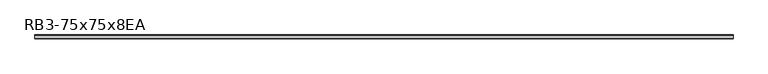
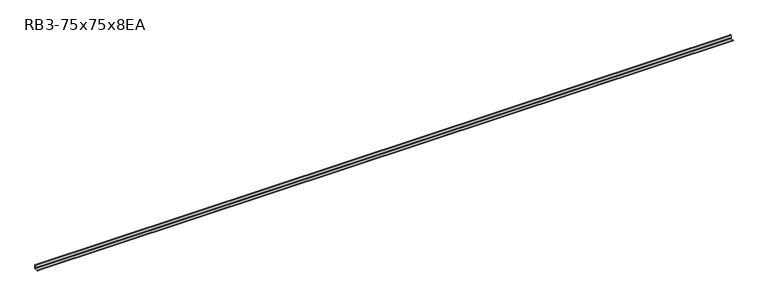
"""IFC4 building model written with IfcOpenShell, lengths in millimetres: member geometry, RB3-75x75x8EA."""

from ifc_helpers import new_model, si_unit, point, frame, frame_2d, origin, place, context, project, spatial, polyline, circle_curve, trimmed, segment, composite_curve, outline, extrude, source, transform, mapped, element, save


def rb3_75x75x8ea_d9fb87c7(model_context):
    return source(origin(), model_context, "Body", "SweptSolid", [
        extrude(outline(composite_curve([segment(polyline([(21.3, -21.3), (-53.7, -21.3), (-53.7, -18.3)]), True, "CONTINUOUS"), segment(trimmed(circle_curve(frame_2d((-48.7, -18.3)), 5.0), [point((-53.7, -18.3))], [point((-48.7, -13.3))], False, "CARTESIAN"), True, "CONTINUOUS"), segment(polyline([(-48.7, -13.3), (5.3, -13.3)]), True, "CONTINUOUS"), segment(trimmed(circle_curve(frame_2d((5.3, -5.3)), 8.0), [point((5.3, -13.3))], [point((13.3, -5.3))], True, "CARTESIAN"), True, "CONTINUOUS"), segment(polyline([(13.3, -5.3), (13.3, 48.7)]), True, "CONTINUOUS"), segment(trimmed(circle_curve(frame_2d((18.3, 48.7)), 5.0), [point((13.3, 48.7))], [point((18.3, 53.7))], False, "CARTESIAN"), True, "CONTINUOUS"), segment(polyline([(18.3, 53.7), (21.3, 53.7), (21.3, -21.3)]), True, "CONTINUOUS")], self_intersect=False)), frame((-6880.5, 0.0, 0.0), z_axis=(1.0, 0.0, 0.0), x_axis=(0.0, 1.0, 0.0)), (0.0, 0.0, 1.0), 13682.0),
    ])


if __name__ == "__main__":
    model = new_model("IFC4")
    model_context = context("Model", 3, world=origin())
    ifc_project = project(units=[si_unit("LENGTHUNIT", "METRE", prefix="MILLI")], contexts=[model_context])
    site = spatial("IfcSite", under=ifc_project)
    building = spatial("IfcBuilding", under=site)
    placement = place(None, origin())
    rb3_75x75x8ea_shape = rb3_75x75x8ea_d9fb87c7(model_context)
    element("IfcMember", 1, ObjectType="RB3-75x75x8EA", at=placement, inside=building, context=model_context, shape_type="MappedRepresentation", body=[
        mapped(rb3_75x75x8ea_shape, transform((0.0, 0.0, 0.0), x_axis=(1.0, 0.0, 0.0), y_axis=(0.0, 1.0, 0.0), z_axis=(0.0, 0.0, 1.0))),
    ])
    save(model, "model.ifc")
